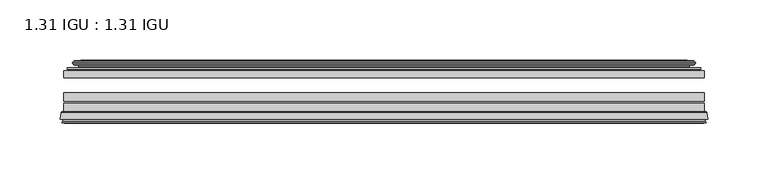
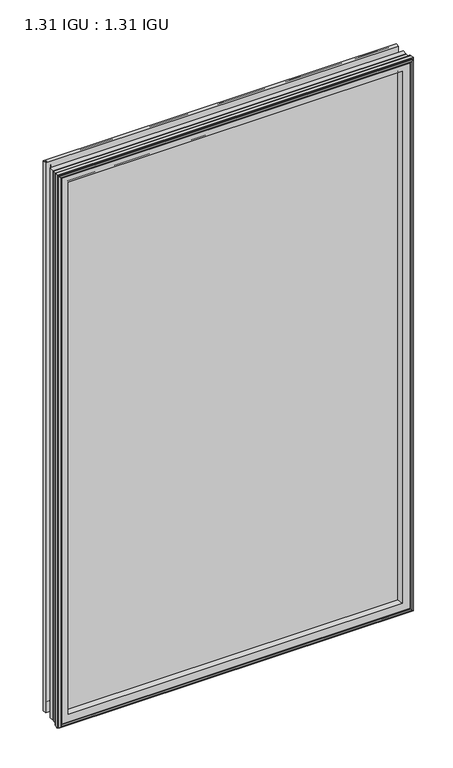
"""IFC4 building model written with IfcOpenShell, lengths in millimetres: plate geometry, 1.31 IGU : 1.31 IGU."""

from ifc_helpers import new_model, si_unit, frame, origin, place, context, project, spatial, polyline, ellipse_curve, outline, extrude, source, transform, mapped, element, save
from ifc_brep_helpers import plane_surface, cylinder_surface, revolved_surface, advanced_brep


def plate_1_31_igu_1_31_igu_99b5af94(model_context):
    return source(origin(), model_context, "Body", "SolidModel", [
        extrude(outline(polyline([(265.1081075, -44.8960875), (265.1081075, -50.4332875), (-265.1130426, -50.4332875), (-265.1130426, -44.8960875), (265.1081075, -44.8960875)])), frame((0.0, 0.0, -14.2875), z_axis=(0.0, 0.0, 1.0), x_axis=(1.0, 0.0, 0.0)), (0.0, 0.0, 1.0), 873.1260851),
        extrude(outline(polyline([(-265.1130426, -78.7796875), (-265.1130426, -71.7692875), (265.1081075, -71.7692875), (265.1081075, -78.7796875), (-265.1130426, -78.7796875)])), frame((0.0, 0.0, -14.2875), z_axis=(0.0, 0.0, 1.0), x_axis=(1.0, 0.0, 0.0)), (0.0, 0.0, 1.0), 873.1260851),
        extrude(outline(polyline([(-265.1130426, -70.2452875), (-265.1130426, -63.1332875), (265.1081075, -63.1332875), (265.1081075, -70.2452875), (-265.1130426, -70.2452875)])), frame((0.0, 0.0, -14.2875), z_axis=(0.0, 0.0, 1.0), x_axis=(1.0, 0.0, 0.0)), (0.0, 0.0, 1.0), 873.1260851),
        advanced_brep(
        [(-267.6599465, -85.1296875, 861.385489), (-266.9651627, -79.4711276, 860.6907053), (-266.9651627, -79.4711276, -16.1396201), (-267.6599465, -85.1296875, -16.8344039), (-265.2723465, -87.1207518, 858.997889), (-265.7295465, -85.1296875, 859.455089), (-265.7295465, -85.1296875, -14.9040039), (-265.2723465, -87.1207518, -14.4468039), (-266.2737083, -86.8524376, 859.9992509), (-266.2737083, -86.8524376, -15.4481658), (-266.5169465, -87.7602147, 860.242489), (-266.5169465, -87.7602147, -15.6914039), (-264.4849465, -88.3046875, 858.210489), (-264.4849465, -88.3046875, -13.6594039), (-262.4529465, -87.7602147, 856.178489), (-262.4529465, -87.7602147, -11.6274039), (-262.6961846, -86.8524376, 856.4217272), (-262.6961846, -86.8524376, -11.8706421), (-263.6975465, -87.1207518, 857.423089), (-263.6975465, -87.1207518, -12.8720039), (-263.2403465, -85.1296875, 856.965889), (-263.2403465, -85.1296875, -12.4148039), (-266.1836318, -78.7796875, 859.9091744), (-266.1836318, -78.7796875, -15.3580893), (266.9651627, -79.4711276, -16.1396201), (267.6599465, -85.1296875, -16.8344039), (265.7295465, -85.1296875, -14.9040039), (265.2723465, -87.1207518, -14.4468039), (266.2737083, -86.8524376, -15.4481658), (266.5169465, -87.7602147, -15.6914039), (264.4849465, -88.3046875, -13.6594039), (262.4529465, -87.7602147, -11.6274039), (262.6961846, -86.8524376, -11.8706421), (263.6975465, -87.1207518, -12.8720039), (263.2403465, -85.1296875, -12.4148039), (266.1836318, -78.7796875, -15.3580893), (266.9651627, -79.4711276, 860.6907053), (267.6599465, -85.1296875, 861.385489), (265.7295465, -85.1296875, 859.455089), (265.2723465, -87.1207518, 858.997889), (266.2737083, -86.8524376, 859.9992509), (266.5169465, -87.7602147, 860.242489), (264.4849465, -88.3046875, 858.210489), (262.4529465, -87.7602147, 856.178489), (262.6961846, -86.8524376, 856.4217272), (263.6975465, -87.1207518, 857.423089), (263.2403465, -85.1296875, 856.965889), (266.1836318, -78.7796875, 859.9091744), (-250.8377557, -85.1296875, 844.5632982), (250.8377557, -85.1296875, 844.5632982), (250.8377557, -85.1296875, -0.0122131), (-250.8377557, -85.1296875, -0.0122131), (-247.5214788, -78.7796875, 3.3040638), (247.5214788, -78.7796875, 3.3040638), (247.5214788, -78.7796875, 841.2470213), (-247.5214788, -78.7796875, 841.2470213)],
        [
            (0, 1),
            (1, 2),
            (2, 3),
            (3, 0),
            (4, 5),
            (5, 6),
            (6, 7),
            (7, 4),
            (8, 4),
            (7, 9),
            (9, 8),
            (10, 8),
            (9, 11),
            (11, 10),
            (12, 10),
            (11, 13),
            (13, 12),
            (14, 12),
            (13, 15),
            (15, 14),
            (16, 14),
            (15, 17),
            (17, 16),
            (18, 16),
            (17, 19),
            (19, 18),
            (20, 18),
            (19, 21),
            (21, 20),
            (1, 22, ellipse_curve(frame((-266.1836318, -79.5670875, 859.9091744), z_axis=(-0.7071067811865475, 0.0, -0.7071067811865475), x_axis=(-0.7071067811865474, 0.0, 0.7071067811865476)), 1.1135518, 0.7874)),
            (22, 23),
            (23, 2, ellipse_curve(frame((-266.1836318, -79.5670875, -15.3580893), z_axis=(-0.7071067811865475, 0.0, 0.7071067811865475), x_axis=(0.7071067811865474, 0.0, 0.7071067811865476)), 1.1135518, 0.7874)),
            (2, 24),
            (24, 25),
            (25, 3),
            (6, 26),
            (26, 27),
            (27, 7),
            (27, 28),
            (28, 9),
            (28, 29),
            (29, 11),
            (29, 30),
            (30, 13),
            (30, 31),
            (31, 15),
            (31, 32),
            (32, 17),
            (32, 33),
            (33, 19),
            (33, 34),
            (34, 21),
            (23, 35),
            (35, 24, ellipse_curve(frame((266.1836318, -79.5670875, -15.3580893), z_axis=(-0.7071067811865475, 0.0, -0.7071067811865475), x_axis=(-0.7071067811865476, 0.0, 0.7071067811865474)), 1.1135518, 0.7874)),
            (24, 36),
            (36, 37),
            (37, 25),
            (26, 38),
            (38, 39),
            (39, 27),
            (39, 40),
            (40, 28),
            (40, 41),
            (41, 29),
            (41, 42),
            (42, 30),
            (42, 43),
            (43, 31),
            (43, 44),
            (44, 32),
            (44, 45),
            (45, 33),
            (45, 46),
            (46, 34),
            (35, 47),
            (47, 36, ellipse_curve(frame((266.1836318, -79.5670875, 859.9091744), z_axis=(0.7071067811865475, 0.0, -0.7071067811865475), x_axis=(-0.7071067811865474, 0.0, -0.7071067811865476)), 1.1135518, 0.7874)),
            (36, 1),
            (0, 37),
            (5, 38),
            (4, 39),
            (8, 40),
            (10, 41),
            (12, 42),
            (14, 43),
            (16, 44),
            (18, 45),
            (20, 46),
            (48, 49),
            (49, 50),
            (50, 51),
            (51, 48),
            (22, 47),
            (52, 53),
            (53, 54),
            (54, 55),
            (55, 52),
            (55, 48, ellipse_curve(frame((-239.5884608, -86.963653, 833.3140033), z_axis=(0.7071067811865475, 0.0, 0.7071067811865475), x_axis=(0.7071067811865474, 0.0, -0.7071067811865476)), 16.118937, 11.3978097)),
            (51, 52, ellipse_curve(frame((-239.5884608, -86.963653, 11.2370818), z_axis=(0.7071067811865475, 0.0, -0.7071067811865475), x_axis=(-0.7071067811865474, 0.0, -0.7071067811865476)), 16.118937, 11.3978097)),
            (50, 53, ellipse_curve(frame((239.5884608, -86.963653, 11.2370818), z_axis=(0.7071067811865475, 0.0, 0.7071067811865475), x_axis=(0.7071067811865476, 0.0, -0.7071067811865474)), 16.118937, 11.3978097)),
            (49, 54, ellipse_curve(frame((239.5884608, -86.963653, 833.3140033), z_axis=(-0.7071067811865475, 0.0, 0.7071067811865475), x_axis=(0.7071067811865474, 0.0, 0.7071067811865476)), 16.118937, 11.3978097)),
        ],
        [
            plane_surface(frame((-266.9651627, -79.4711276, 860.6907053), z_axis=(-0.9925461516413008, 0.12186934340532067, 0.0), x_axis=(0.0, 0.0, -1.0))),
            plane_surface(frame((-265.7295465, -85.1296875, 859.455089), z_axis=(-0.9746347637895997, -0.22380142361654332, 0.0), x_axis=(0.0, 0.0, -1.0))),
            plane_surface(frame((-265.2723465, -87.1207518, 858.997889), z_axis=(0.25881904510266784, 0.9659258262890289, 0.0), x_axis=(0.0, 0.0, -1.0))),
            plane_surface(frame((-266.2737083, -86.8524376, 859.9992509), z_axis=(-0.9659258262890449, 0.2588190451026083, 0.0), x_axis=(0.0, 0.0, -1.0))),
            plane_surface(frame((-266.5169465, -87.7602147, 860.242489), z_axis=(-0.2588190451025689, -0.9659258262890554, 0.0), x_axis=(0.0, 0.0, -1.0))),
            plane_surface(frame((-264.4849465, -88.3046875, 858.210489), z_axis=(0.25881904510241466, -0.9659258262890968, 0.0), x_axis=(0.0, 0.0, -1.0))),
            plane_surface(frame((-262.4529465, -87.7602147, 856.178489), z_axis=(0.9659258262890272, 0.25881904510267406, 0.0), x_axis=(0.0, 0.0, -1.0))),
            plane_surface(frame((-262.6961846, -86.8524376, 856.4217272), z_axis=(-0.25881904510234177, 0.9659258262891163, 0.0), x_axis=(0.0, 0.0, -1.0))),
            plane_surface(frame((-263.6975465, -87.1207518, 857.423089), z_axis=(0.9746347637895936, -0.2238014236165695, 0.0), x_axis=(0.0, 0.0, -1.0))),
            cylinder_surface(frame((-266.1836318, -79.5670875, 876.3010851), z_axis=(0.0, 0.0, 1.0), x_axis=(-1.0, 0.0, 0.0)), 0.7874),
            plane_surface(frame((-266.9651627, -79.4711276, -16.1396201), z_axis=(0.0, 0.12186934340531747, -0.9925461516413012), x_axis=(1.0, 0.0, 0.0))),
            plane_surface(frame((-265.7295465, -85.1296875, -14.9040039), z_axis=(0.0, -0.22380142361654648, -0.9746347637895989), x_axis=(1.0, 0.0, 0.0))),
            plane_surface(frame((-265.2723465, -87.1207518, -14.4468039), z_axis=(0.0, 0.9659258262890298, 0.25881904510266474), x_axis=(1.0, 0.0, 0.0))),
            plane_surface(frame((-266.2737083, -86.8524376, -15.4481658), z_axis=(0.0, 0.25881904510260517, -0.9659258262890458), x_axis=(1.0, 0.0, 0.0))),
            plane_surface(frame((-266.5169465, -87.7602147, -15.6914039), z_axis=(0.0, -0.9659258262890563, -0.2588190451025658), x_axis=(1.0, 0.0, 0.0))),
            plane_surface(frame((-264.4849465, -88.3046875, -13.6594039), z_axis=(0.0, -0.965925826289096, 0.25881904510241777), x_axis=(1.0, 0.0, 0.0))),
            plane_surface(frame((-262.4529465, -87.7602147, -11.6274039), z_axis=(0.0, 0.2588190451026772, 0.9659258262890265), x_axis=(1.0, 0.0, 0.0))),
            plane_surface(frame((-262.6961846, -86.8524376, -11.8706421), z_axis=(0.0, 0.9659258262891154, -0.2588190451023449), x_axis=(1.0, 0.0, 0.0))),
            plane_surface(frame((-263.6975465, -87.1207518, -12.8720039), z_axis=(0.0, -0.22380142361656633, 0.9746347637895943), x_axis=(1.0, 0.0, 0.0))),
            cylinder_surface(frame((-282.5755426, -79.5670875, -15.3580893), z_axis=(-1.0, 0.0, 0.0), x_axis=(0.0, 0.0, -1.0)), 0.7874),
            plane_surface(frame((266.9651627, -79.4711276, -16.1396201), z_axis=(0.9925461516413017, 0.12186934340531426, 0.0), x_axis=(0.0, 0.0, 1.0))),
            plane_surface(frame((265.7295465, -85.1296875, -14.9040039), z_axis=(0.9746347637895981, -0.22380142361654964, 0.0), x_axis=(0.0, 0.0, 1.0))),
            plane_surface(frame((265.2723465, -87.1207518, -14.4468039), z_axis=(-0.2588190451026616, 0.9659258262890307, 0.0), x_axis=(0.0, 0.0, 1.0))),
            plane_surface(frame((266.2737083, -86.8524376, -15.4481658), z_axis=(0.9659258262890467, 0.25881904510260206, 0.0), x_axis=(0.0, 0.0, 1.0))),
            plane_surface(frame((266.5169465, -87.7602147, -15.6914039), z_axis=(0.2588190451025627, -0.9659258262890572, 0.0), x_axis=(0.0, 0.0, 1.0))),
            plane_surface(frame((264.4849465, -88.3046875, -13.6594039), z_axis=(-0.2588190451024209, -0.9659258262890951, 0.0), x_axis=(0.0, 0.0, 1.0))),
            plane_surface(frame((262.4529465, -87.7602147, -11.6274039), z_axis=(-0.9659258262890256, 0.25881904510268033, 0.0), x_axis=(0.0, 0.0, 1.0))),
            plane_surface(frame((262.6961846, -86.8524376, -11.8706421), z_axis=(0.25881904510234804, 0.9659258262891146, 0.0), x_axis=(0.0, 0.0, 1.0))),
            plane_surface(frame((263.6975465, -87.1207518, -12.8720039), z_axis=(-0.9746347637895951, -0.22380142361656316, 0.0), x_axis=(0.0, 0.0, 1.0))),
            cylinder_surface(frame((266.1836318, -79.5670875, -31.75), z_axis=(0.0, 0.0, -1.0), x_axis=(1.0, 0.0, 0.0)), 0.7874),
            plane_surface(frame((266.9651627, -79.4711276, 860.6907053), z_axis=(0.0, 0.12186934340531747, 0.9925461516413012), x_axis=(-1.0, 0.0, 0.0))),
            plane_surface(frame((267.6599465, -85.1296875, 861.385489), z_axis=(0.0, -1.0, 0.0), x_axis=(-1.0, 0.0, 0.0))),
            plane_surface(frame((265.7295465, -85.1296875, 859.455089), z_axis=(0.0, -0.22380142361654648, 0.9746347637895989), x_axis=(-1.0, 0.0, 0.0))),
            plane_surface(frame((265.2723465, -87.1207518, 858.997889), z_axis=(0.0, 0.9659258262890298, -0.25881904510266474), x_axis=(-1.0, 0.0, 0.0))),
            plane_surface(frame((266.2737083, -86.8524376, 859.9992509), z_axis=(0.0, 0.25881904510260517, 0.9659258262890458), x_axis=(-1.0, 0.0, 0.0))),
            plane_surface(frame((266.5169465, -87.7602147, 860.242489), z_axis=(0.0, -0.9659258262890563, 0.2588190451025658), x_axis=(-1.0, 0.0, 0.0))),
            plane_surface(frame((264.4849465, -88.3046875, 858.210489), z_axis=(0.0, -0.965925826289096, -0.25881904510241777), x_axis=(-1.0, 0.0, 0.0))),
            plane_surface(frame((262.4529465, -87.7602147, 856.178489), z_axis=(0.0, 0.2588190451026772, -0.9659258262890265), x_axis=(-1.0, 0.0, 0.0))),
            plane_surface(frame((262.6961846, -86.8524376, 856.4217272), z_axis=(0.0, 0.9659258262891155, 0.25881904510234494), x_axis=(-1.0, 0.0, 0.0))),
            plane_surface(frame((263.6975465, -87.1207518, 857.423089), z_axis=(0.0, -0.22380142361656633, -0.9746347637895943), x_axis=(-1.0, 0.0, 0.0))),
            plane_surface(frame((263.2403465, -85.1296875, 856.965889), z_axis=(0.0, -1.0, 0.0), x_axis=(-1.0, 0.0, 0.0))),
            plane_surface(frame((247.5214788, -78.7796875, 841.2470213), z_axis=(0.0, 1.0, 0.0), x_axis=(-1.0, 0.0, 0.0))),
            cylinder_surface(frame((282.5755426, -79.5670875, 859.9091744), z_axis=(1.0, 0.0, 0.0), x_axis=(0.0, 0.0, 1.0)), 0.7874),
            revolved_surface(polyline([(-250.98627050000002, -86.963653, -0.1607278582187064), (-250.98627050000002, -86.963653, 844.7118129582187)]), (-239.5884608, -86.963653, 876.3010851), (0.0, 0.0, -1.0)),
            revolved_surface(polyline([(250.9862704582187, -86.963653, -0.16072789999999948), (-250.98627045821874, -86.963653, -0.16072789999999948)]), (-282.5755426, -86.963653, 11.2370818), (1.0, 0.0, 0.0)),
            revolved_surface(polyline([(250.98627050000002, -86.963653, 844.7118129582187), (250.98627050000002, -86.963653, -0.16072785821874191)]), (239.5884608, -86.963653, -31.75), (0.0, 0.0, 1.0)),
            revolved_surface(polyline([(-250.9862704582187, -86.963653, 844.711813), (250.98627045821874, -86.963653, 844.711813)]), (282.5755426, -86.963653, 833.3140033), (-1.0, 0.0, 0.0)),
        ],
        [
            (0, [[1, 2, 3, 4]]),
            (1, [[5, 6, 7, 8]]),
            (2, [[9, -8, 10, 11]]),
            (3, [[12, -11, 13, 14]]),
            (4, [[15, -14, 16, 17]]),
            (5, [[18, -17, 19, 20]]),
            (6, [[21, -20, 22, 23]]),
            (7, [[24, -23, 25, 26]]),
            (8, [[27, -26, 28, 29]]),
            (9, [[30, 31, 32, -2]]),
            (10, [[-3, 33, 34, 35]]),
            (11, [[-7, 36, 37, 38]]),
            (12, [[-10, -38, 39, 40]]),
            (13, [[-13, -40, 41, 42]]),
            (14, [[-16, -42, 43, 44]]),
            (15, [[-19, -44, 45, 46]]),
            (16, [[-22, -46, 47, 48]]),
            (17, [[-25, -48, 49, 50]]),
            (18, [[-28, -50, 51, 52]]),
            (19, [[-32, 53, 54, -33]]),
            (20, [[-34, 55, 56, 57]]),
            (21, [[-37, 58, 59, 60]]),
            (22, [[-39, -60, 61, 62]]),
            (23, [[-41, -62, 63, 64]]),
            (24, [[-43, -64, 65, 66]]),
            (25, [[-45, -66, 67, 68]]),
            (26, [[-47, -68, 69, 70]]),
            (27, [[-49, -70, 71, 72]]),
            (28, [[-51, -72, 73, 74]]),
            (29, [[-54, 75, 76, -55]]),
            (30, [[-56, 77, -1, 78]]),
            (31, [[-35, -57, -78, -4], [79, -58, -36, -6]]),
            (32, [[-59, -79, -5, 80]]),
            (33, [[-61, -80, -9, 81]]),
            (34, [[-63, -81, -12, 82]]),
            (35, [[-65, -82, -15, 83]]),
            (36, [[-67, -83, -18, 84]]),
            (37, [[-69, -84, -21, 85]]),
            (38, [[-71, -85, -24, 86]]),
            (39, [[-73, -86, -27, 87]]),
            (40, [[-52, -74, -87, -29], [88, 89, 90, 91]]),
            (41, [[92, -75, -53, -31], [93, 94, 95, 96]]),
            (42, [[-76, -92, -30, -77]]),
            (43, [[97, -91, 98, -96]]),
            (44, [[-98, -90, 99, -93]]),
            (45, [[-99, -89, 100, -94]]),
            (46, [[-100, -88, -97, -95]]),
        ],
    ),
        advanced_brep(
        [(-255.767718, -37.7373382, 849.4932606), (-250.8260851, -36.3108875, 844.5516277), (-250.8260851, -36.3108875, -0.0005426), (-255.767718, -37.7373382, -4.9421755), (-255.6026127, -36.9605789, 849.3281553), (-255.6026127, -36.9605789, -4.7770702), (-256.1980984, -36.4771203, 849.923641), (-256.1980984, -36.4771203, -5.3725559), (-257.4627342, -37.766076, 851.1882768), (-257.4627342, -37.766076, -6.6371917), (-257.4519175, -38.8797852, 851.17746), (-257.4519175, -38.8797852, -6.6263749), (-256.1704323, -40.1361433, 849.8959748), (-256.1704323, -40.1361433, -5.3448897), (-255.5654254, -39.649943, 849.290968), (-255.5654254, -39.649943, -4.7398829), (-256.1194397, -39.0959287, 849.8449823), (-256.1194397, -39.0959287, -5.2938972), (-253.8336313, -38.7029881, 847.5591739), (-253.8336313, -38.7029881, -3.0080887), (-252.3745582, -40.2107282, 846.1001008), (-252.3745582, -40.2107282, -1.5490157), (-252.6711401, -41.651269, 846.3966827), (-252.6711401, -41.651269, -1.8455976), (-253.4423646, -42.2798875, 847.1679072), (-253.4423646, -42.2798875, -2.6168221), (-261.7463409, -43.4871542, 855.4718835), (-261.4711395, -42.2798875, 855.1966821), (-261.4711395, -42.2798875, -10.6455969), (-261.7463409, -43.4871542, -10.9207984), (-258.2887723, -44.8960875, 852.0143149), (-258.2887723, -44.8960875, -7.4632297), (-247.1911485, -44.023302, 840.9166911), (-247.5464864, -44.8960875, 841.272029), (-247.5464864, -44.8960875, 3.2790561), (-247.1911485, -44.023302, 3.6343941), (-247.8623465, -43.3681812, 841.5878891), (-247.8623465, -43.3681812, 2.963196), (-249.5031371, -40.6686056, 843.2286797), (-249.5031371, -40.6686056, 1.3224054), (250.8260851, -36.3108875, -0.0005426), (255.767718, -37.7373382, -4.9421755), (255.6026127, -36.9605789, -4.7770702), (256.1980984, -36.4771203, -5.3725559), (257.4627342, -37.766076, -6.6371917), (257.4519175, -38.8797852, -6.6263749), (256.1704323, -40.1361433, -5.3448897), (255.5654254, -39.649943, -4.7398829), (256.1194397, -39.0959287, -5.2938972), (253.8336313, -38.7029881, -3.0080887), (252.3745582, -40.2107282, -1.5490157), (252.6711401, -41.651269, -1.8455976), (253.4423646, -42.2798875, -2.6168221), (261.4711395, -42.2798875, -10.6455969), (261.7463409, -43.4871542, -10.9207984), (258.2887723, -44.8960875, -7.4632297), (247.5464864, -44.8960875, 3.2790561), (247.1911485, -44.023302, 3.6343941), (247.8623465, -43.3681812, 2.963196), (249.5031371, -40.6686056, 1.3224054), (250.8260851, -36.3108875, 844.5516277), (255.767718, -37.7373382, 849.4932606), (255.6026127, -36.9605789, 849.3281553), (256.1980984, -36.4771203, 849.923641), (257.4627342, -37.766076, 851.1882768), (257.4519175, -38.8797852, 851.17746), (256.1704323, -40.1361433, 849.8959748), (255.5654254, -39.649943, 849.290968), (256.1194397, -39.0959287, 849.8449823), (253.8336313, -38.7029881, 847.5591739), (252.3745582, -40.2107282, 846.1001008), (252.6711401, -41.651269, 846.3966827), (253.4423646, -42.2798875, 847.1679072), (261.4711395, -42.2798875, 855.1966821), (261.7463409, -43.4871542, 855.4718835), (258.2887723, -44.8960875, 852.0143149), (247.5464864, -44.8960875, 841.272029), (247.1911485, -44.023302, 840.9166911), (247.8623465, -43.3681812, 841.5878891), (249.5031371, -40.6686056, 843.2286797)],
        [
            (0, 1),
            (1, 2),
            (2, 3),
            (3, 0),
            (4, 0),
            (3, 5),
            (5, 4),
            (6, 4, ellipse_curve(frame((-255.9231297, -36.746901, 849.6486723), z_axis=(-0.7071067811865475, 0.0, -0.7071067811865475), x_axis=(-0.7071067811865474, 0.0, 0.7071067811865476)), 0.5447741, 0.3852135)),
            (5, 7, ellipse_curve(frame((-255.9231297, -36.746901, -5.0975871), z_axis=(-0.7071067811865475, 0.0, 0.7071067811865475), x_axis=(0.7071067811865474, 0.0, 0.7071067811865476)), 0.5447741, 0.3852135)),
            (7, 6),
            (8, 6),
            (7, 9),
            (9, 8),
            (10, 8, ellipse_curve(frame((-256.9006812, -38.3175243, 850.6262238), z_axis=(-0.7071067811865475, 0.0, -0.7071067811865475), x_axis=(-0.7071067811865474, 0.0, 0.7071067811865476)), 1.1135518, 0.7874)),
            (9, 11, ellipse_curve(frame((-256.9006812, -38.3175243, -6.0751387), z_axis=(-0.7071067811865475, 0.0, 0.7071067811865475), x_axis=(0.7071067811865474, 0.0, 0.7071067811865476)), 1.1135518, 0.7874)),
            (11, 10),
            (12, 10),
            (11, 13),
            (13, 12),
            (14, 12, ellipse_curve(frame((-255.8968348, -39.8570738, 849.6223773), z_axis=(-0.7071067811865475, 0.0, -0.7071067811865475), x_axis=(-0.7071067811865474, 0.0, 0.7071067811865476)), 0.552694, 0.3908137)),
            (13, 15, ellipse_curve(frame((-255.8968348, -39.8570738, -5.0712922), z_axis=(-0.7071067811865475, 0.0, 0.7071067811865475), x_axis=(0.7071067811865474, 0.0, 0.7071067811865476)), 0.552694, 0.3908137)),
            (15, 14),
            (16, 14),
            (15, 17),
            (17, 16),
            (18, 16),
            (17, 19),
            (19, 18),
            (20, 18, ellipse_curve(frame((-253.6184687, -39.954629, 847.3440112), z_axis=(0.7071067811865475, 0.0, 0.7071067811865475), x_axis=(0.7071067811865474, 0.0, -0.7071067811865476)), 1.7960512, 1.27)),
            (19, 21, ellipse_curve(frame((-253.6184687, -39.954629, -2.7929261), z_axis=(0.7071067811865475, 0.0, -0.7071067811865475), x_axis=(-0.7071067811865474, 0.0, -0.7071067811865476)), 1.7960512, 1.27)),
            (21, 20),
            (22, 20),
            (21, 23),
            (23, 22),
            (24, 22, ellipse_curve(frame((-253.4423646, -41.4924875, 847.1679072), z_axis=(0.7071067811865475, 0.0, 0.7071067811865475), x_axis=(0.7071067811865474, 0.0, -0.7071067811865476)), 1.1135518, 0.7874)),
            (23, 25, ellipse_curve(frame((-253.4423646, -41.4924875, -2.6168221), z_axis=(0.7071067811865475, 0.0, -0.7071067811865475), x_axis=(-0.7071067811865474, 0.0, -0.7071067811865476)), 1.1135518, 0.7874)),
            (25, 24),
            (26, 27, ellipse_curve(frame((-261.4711395, -42.9148875, 855.1966821), z_axis=(-0.7071067811865475, 0.0, -0.7071067811865475), x_axis=(-0.7071067811865474, 0.0, 0.7071067811865476)), 0.8980256, 0.635)),
            (27, 28),
            (28, 29, ellipse_curve(frame((-261.4711395, -42.9148875, -10.6455969), z_axis=(-0.7071067811865475, 0.0, 0.7071067811865475), x_axis=(0.7071067811865474, 0.0, 0.7071067811865476)), 0.8980256, 0.635)),
            (29, 26),
            (30, 26),
            (29, 31),
            (31, 30),
            (32, 33, ellipse_curve(frame((-247.5464864, -44.3873602, 841.272029), z_axis=(-0.7071067811865475, 0.0, -0.7071067811865475), x_axis=(-0.7071067811865474, 0.0, 0.7071067811865476)), 0.719449, 0.5087273)),
            (33, 34),
            (34, 35, ellipse_curve(frame((-247.5464864, -44.3873602, 3.2790561), z_axis=(-0.7071067811865475, 0.0, 0.7071067811865475), x_axis=(0.7071067811865474, 0.0, 0.7071067811865476)), 0.719449, 0.5087273)),
            (35, 32),
            (36, 32),
            (35, 37),
            (37, 36),
            (38, 36, ellipse_curve(frame((-243.4269723, -38.823959, 837.1525149), z_axis=(0.7071067811865475, 0.0, 0.7071067811865475), x_axis=(0.7071067811865474, 0.0, -0.7071067811865476)), 8.9802561, 6.35)),
            (37, 39, ellipse_curve(frame((-243.4269723, -38.823959, 7.3985702), z_axis=(0.7071067811865475, 0.0, -0.7071067811865475), x_axis=(-0.7071067811865474, 0.0, -0.7071067811865476)), 8.9802561, 6.35)),
            (39, 38),
            (1, 38),
            (39, 2),
            (2, 40),
            (40, 41),
            (41, 3),
            (41, 42),
            (42, 5),
            (42, 43, ellipse_curve(frame((255.9231297, -36.746901, -5.0975871), z_axis=(-0.7071067811865475, 0.0, -0.7071067811865475), x_axis=(-0.7071067811865476, 0.0, 0.7071067811865474)), 0.5447741, 0.3852135)),
            (43, 7),
            (43, 44),
            (44, 9),
            (44, 45, ellipse_curve(frame((256.9006812, -38.3175243, -6.0751387), z_axis=(-0.7071067811865475, 0.0, -0.7071067811865475), x_axis=(-0.7071067811865476, 0.0, 0.7071067811865474)), 1.1135518, 0.7874)),
            (45, 11),
            (45, 46),
            (46, 13),
            (46, 47, ellipse_curve(frame((255.8968348, -39.8570738, -5.0712922), z_axis=(-0.7071067811865475, 0.0, -0.7071067811865475), x_axis=(-0.7071067811865476, 0.0, 0.7071067811865474)), 0.552694, 0.3908137)),
            (47, 15),
            (47, 48),
            (48, 17),
            (48, 49),
            (49, 19),
            (49, 50, ellipse_curve(frame((253.6184687, -39.954629, -2.7929261), z_axis=(0.7071067811865475, 0.0, 0.7071067811865475), x_axis=(0.7071067811865476, 0.0, -0.7071067811865474)), 1.7960512, 1.27)),
            (50, 21),
            (50, 51),
            (51, 23),
            (51, 52, ellipse_curve(frame((253.4423646, -41.4924875, -2.6168221), z_axis=(0.7071067811865475, 0.0, 0.7071067811865475), x_axis=(0.7071067811865476, 0.0, -0.7071067811865474)), 1.1135518, 0.7874)),
            (52, 25),
            (28, 53),
            (53, 54, ellipse_curve(frame((261.4711395, -42.9148875, -10.6455969), z_axis=(-0.7071067811865475, 0.0, -0.7071067811865475), x_axis=(-0.7071067811865476, 0.0, 0.7071067811865474)), 0.8980256, 0.635)),
            (54, 29),
            (54, 55),
            (55, 31),
            (34, 56),
            (56, 57, ellipse_curve(frame((247.5464864, -44.3873602, 3.2790561), z_axis=(-0.7071067811865475, 0.0, -0.7071067811865475), x_axis=(-0.7071067811865476, 0.0, 0.7071067811865474)), 0.719449, 0.5087273)),
            (57, 35),
            (57, 58),
            (58, 37),
            (58, 59, ellipse_curve(frame((243.4269723, -38.823959, 7.3985702), z_axis=(0.7071067811865475, 0.0, 0.7071067811865475), x_axis=(0.7071067811865476, 0.0, -0.7071067811865474)), 8.9802561, 6.35)),
            (59, 39),
            (59, 40),
            (40, 60),
            (60, 61),
            (61, 41),
            (61, 62),
            (62, 42),
            (62, 63, ellipse_curve(frame((255.9231297, -36.746901, 849.6486723), z_axis=(0.7071067811865475, 0.0, -0.7071067811865475), x_axis=(-0.7071067811865474, 0.0, -0.7071067811865476)), 0.5447741, 0.3852135)),
            (63, 43),
            (63, 64),
            (64, 44),
            (64, 65, ellipse_curve(frame((256.9006812, -38.3175243, 850.6262238), z_axis=(0.7071067811865475, 0.0, -0.7071067811865475), x_axis=(-0.7071067811865474, 0.0, -0.7071067811865476)), 1.1135518, 0.7874)),
            (65, 45),
            (65, 66),
            (66, 46),
            (66, 67, ellipse_curve(frame((255.8968348, -39.8570738, 849.6223773), z_axis=(0.7071067811865475, 0.0, -0.7071067811865475), x_axis=(-0.7071067811865474, 0.0, -0.7071067811865476)), 0.552694, 0.3908137)),
            (67, 47),
            (67, 68),
            (68, 48),
            (68, 69),
            (69, 49),
            (69, 70, ellipse_curve(frame((253.6184687, -39.954629, 847.3440112), z_axis=(-0.7071067811865475, 0.0, 0.7071067811865475), x_axis=(0.7071067811865474, 0.0, 0.7071067811865476)), 1.7960512, 1.27)),
            (70, 50),
            (70, 71),
            (71, 51),
            (71, 72, ellipse_curve(frame((253.4423646, -41.4924875, 847.1679072), z_axis=(-0.7071067811865475, 0.0, 0.7071067811865475), x_axis=(0.7071067811865474, 0.0, 0.7071067811865476)), 1.1135518, 0.7874)),
            (72, 52),
            (53, 73),
            (73, 74, ellipse_curve(frame((261.4711395, -42.9148875, 855.1966821), z_axis=(0.7071067811865475, 0.0, -0.7071067811865475), x_axis=(-0.7071067811865474, 0.0, -0.7071067811865476)), 0.8980256, 0.635)),
            (74, 54),
            (74, 75),
            (75, 55),
            (56, 76),
            (76, 77, ellipse_curve(frame((247.5464864, -44.3873602, 841.272029), z_axis=(0.7071067811865475, 0.0, -0.7071067811865475), x_axis=(-0.7071067811865474, 0.0, -0.7071067811865476)), 0.719449, 0.5087273)),
            (77, 57),
            (77, 78),
            (78, 58),
            (78, 79, ellipse_curve(frame((243.4269723, -38.823959, 837.1525149), z_axis=(-0.7071067811865475, 0.0, 0.7071067811865475), x_axis=(0.7071067811865474, 0.0, 0.7071067811865476)), 8.9802561, 6.35)),
            (79, 59),
            (79, 60),
            (60, 1),
            (0, 61),
            (4, 62),
            (6, 63),
            (8, 64),
            (10, 65),
            (12, 66),
            (14, 67),
            (16, 68),
            (18, 69),
            (20, 70),
            (22, 71),
            (24, 72),
            (27, 73),
            (26, 74),
            (30, 75),
            (33, 76),
            (32, 77),
            (36, 78),
            (38, 79),
        ],
        [
            plane_surface(frame((-250.8260851, -36.3108875, 844.5516277), z_axis=(-0.27733649284928463, 0.9607728502273879, 0.0), x_axis=(0.0, 0.0, -1.0))),
            plane_surface(frame((-255.767718, -37.7373382, 849.4932606), z_axis=(0.9781476007338358, -0.2079116908176177, 0.0), x_axis=(0.0, 0.0, -1.0))),
            cylinder_surface(frame((-255.9231297, -36.746901, 876.3010851), z_axis=(0.0, 0.0, 1.0), x_axis=(-1.0, 0.0, 0.0)), 0.3852135),
            plane_surface(frame((-256.1980984, -36.4771203, 849.923641), z_axis=(-0.7138087599382162, 0.7003406701280928, 0.0), x_axis=(0.0, 0.0, -1.0))),
            cylinder_surface(frame((-256.9006812, -38.3175243, 876.3010851), z_axis=(0.0, 0.0, 1.0), x_axis=(-1.0, 0.0, 0.0)), 0.7874),
            plane_surface(frame((-257.4519175, -38.8797852, 851.17746), z_axis=(-0.7000714109283732, -0.7140728391423082, 0.0), x_axis=(0.0, 0.0, -1.0))),
            cylinder_surface(frame((-255.8968348, -39.8570738, 876.3010851), z_axis=(0.0, 0.0, 1.0), x_axis=(-1.0, 0.0, 0.0)), 0.3908137),
            plane_surface(frame((-255.5654254, -39.649943, 849.290968), z_axis=(0.7071067811861126, 0.7071067811869826, 0.0), x_axis=(0.0, 0.0, -1.0))),
            plane_surface(frame((-256.1194397, -39.0959287, 849.8449823), z_axis=(0.16941940671011482, -0.9855440449974789, 0.0), x_axis=(0.0, 0.0, -1.0))),
            revolved_surface(polyline([(-254.8884687, -39.954629, -4.0629260828783345), (-254.8884687, -39.954629, 848.6140111828782)]), (-253.6184687, -39.954629, 876.3010851), (0.0, 0.0, -1.0)),
            plane_surface(frame((-252.3745582, -40.2107282, 846.1001008), z_axis=(-0.9794570432566897, 0.201652920670302, 0.0), x_axis=(0.0, 0.0, -1.0))),
            revolved_surface(polyline([(-254.22976459999998, -41.4924875, -3.4042221289824965), (-254.22976459999998, -41.4924875, 847.9553072289824)]), (-253.4423646, -41.4924875, 876.3010851), (0.0, 0.0, -1.0)),
            cylinder_surface(frame((-261.4711395, -42.9148875, 876.3010851), z_axis=(0.0, 0.0, 1.0), x_axis=(-1.0, 0.0, 0.0)), 0.635),
            plane_surface(frame((-261.7463409, -43.4871542, 855.4718835), z_axis=(-0.37736447542757934, -0.9260648209954139, 0.0), x_axis=(0.0, 0.0, -1.0))),
            cylinder_surface(frame((-247.5464864, -44.3873602, 876.3010851), z_axis=(0.0, 0.0, 1.0), x_axis=(-1.0, 0.0, 0.0)), 0.5087273),
            plane_surface(frame((-247.1911485, -44.023302, 840.9166911), z_axis=(0.698484125849927, 0.7156255486884628, 0.0), x_axis=(0.0, 0.0, -1.0))),
            revolved_surface(polyline([(-249.77697229999998, -38.823959, 1.0485702148981773), (-249.77697229999998, -38.823959, 843.5025148851018)]), (-243.4269723, -38.823959, 876.3010851), (0.0, 0.0, -1.0)),
            plane_surface(frame((-249.5031371, -40.6686056, 843.2286797), z_axis=(0.9568763473517009, 0.2904955350411895, 0.0), x_axis=(0.0, 0.0, -1.0))),
            plane_surface(frame((-250.8260851, -36.3108875, -0.0005426), z_axis=(0.0, 0.960772850227387, -0.27733649284928774), x_axis=(1.0, 0.0, 0.0))),
            plane_surface(frame((-255.767718, -37.7373382, -4.9421755), z_axis=(0.0, -0.20791169081761454, 0.9781476007338364), x_axis=(1.0, 0.0, 0.0))),
            cylinder_surface(frame((-282.5755426, -36.746901, -5.0975871), z_axis=(-1.0, 0.0, 0.0), x_axis=(0.0, 0.0, -1.0)), 0.3852135),
            plane_surface(frame((-256.1980984, -36.4771203, -5.3725559), z_axis=(0.0, 0.7003406701280904, -0.7138087599382185), x_axis=(1.0, 0.0, 0.0))),
            cylinder_surface(frame((-282.5755426, -38.3175243, -6.0751387), z_axis=(-1.0, 0.0, 0.0), x_axis=(0.0, 0.0, -1.0)), 0.7874),
            plane_surface(frame((-257.4519175, -38.8797852, -6.6263749), z_axis=(0.0, -0.7140728391423105, -0.7000714109283709), x_axis=(1.0, 0.0, 0.0))),
            cylinder_surface(frame((-282.5755426, -39.8570738, -5.0712922), z_axis=(-1.0, 0.0, 0.0), x_axis=(0.0, 0.0, -1.0)), 0.3908137),
            plane_surface(frame((-255.5654254, -39.649943, -4.7398829), z_axis=(0.0, 0.7071067811869849, 0.7071067811861103), x_axis=(1.0, 0.0, 0.0))),
            plane_surface(frame((-256.1194397, -39.0959287, -5.2938972), z_axis=(0.0, -0.9855440449974784, 0.16941940671011801), x_axis=(1.0, 0.0, 0.0))),
            revolved_surface(polyline([(254.88846868287834, -39.954629, -4.0629261), (-254.88846868287823, -39.954629, -4.0629261)]), (-282.5755426, -39.954629, -2.7929261), (1.0, 0.0, 0.0)),
            plane_surface(frame((-252.3745582, -40.2107282, -1.5490157), z_axis=(0.0, 0.20165292067029883, -0.9794570432566904), x_axis=(1.0, 0.0, 0.0))),
            revolved_surface(polyline([(254.22976462898242, -41.4924875, -3.4042220999999997), (-254.22976462898248, -41.4924875, -3.4042220999999997)]), (-282.5755426, -41.4924875, -2.6168221), (1.0, 0.0, 0.0)),
            cylinder_surface(frame((-282.5755426, -42.9148875, -10.6455969), z_axis=(-1.0, 0.0, 0.0), x_axis=(0.0, 0.0, -1.0)), 0.635),
            plane_surface(frame((-261.7463409, -43.4871542, -10.9207984), z_axis=(0.0, -0.9260648209954151, -0.37736447542757634), x_axis=(1.0, 0.0, 0.0))),
            cylinder_surface(frame((-282.5755426, -44.3873602, 3.2790561), z_axis=(-1.0, 0.0, 0.0), x_axis=(0.0, 0.0, -1.0)), 0.5087273),
            plane_surface(frame((-247.1911485, -44.023302, 3.6343941), z_axis=(0.0, 0.7156255486884651, 0.6984841258499247), x_axis=(1.0, 0.0, 0.0))),
            revolved_surface(polyline([(249.77697228510186, -38.823959, 1.0485702000000003), (-249.77697228510186, -38.823959, 1.0485702000000003)]), (-282.5755426, -38.823959, 7.3985702), (1.0, 0.0, 0.0)),
            plane_surface(frame((-249.5031371, -40.6686056, 1.3224054), z_axis=(0.0, 0.29049553504119263, 0.9568763473517), x_axis=(1.0, 0.0, 0.0))),
            plane_surface(frame((250.8260851, -36.3108875, -0.0005426), z_axis=(0.27733649284929085, 0.9607728502273861, 0.0), x_axis=(0.0, 0.0, 1.0))),
            plane_surface(frame((255.767718, -37.7373382, -4.9421755), z_axis=(-0.9781476007338371, -0.20791169081761138, 0.0), x_axis=(0.0, 0.0, 1.0))),
            cylinder_surface(frame((255.9231297, -36.746901, -31.75), z_axis=(0.0, 0.0, -1.0), x_axis=(1.0, 0.0, 0.0)), 0.3852135),
            plane_surface(frame((256.1980984, -36.4771203, -5.3725559), z_axis=(0.7138087599382208, 0.7003406701280882, 0.0), x_axis=(0.0, 0.0, 1.0))),
            cylinder_surface(frame((256.9006812, -38.3175243, -31.75), z_axis=(0.0, 0.0, -1.0), x_axis=(1.0, 0.0, 0.0)), 0.7874),
            plane_surface(frame((257.4519175, -38.8797852, -6.6263749), z_axis=(0.7000714109283687, -0.7140728391423128, 0.0), x_axis=(0.0, 0.0, 1.0))),
            cylinder_surface(frame((255.8968348, -39.8570738, -31.75), z_axis=(0.0, 0.0, -1.0), x_axis=(1.0, 0.0, 0.0)), 0.3908137),
            plane_surface(frame((255.5654254, -39.649943, -4.7398829), z_axis=(-0.7071067811861079, 0.7071067811869872, 0.0), x_axis=(0.0, 0.0, 1.0))),
            plane_surface(frame((256.1194397, -39.0959287, -5.2938972), z_axis=(-0.1694194067101212, -0.9855440449974778, 0.0), x_axis=(0.0, 0.0, 1.0))),
            revolved_surface(polyline([(254.8884687, -39.954629, 848.6140111828782), (254.8884687, -39.954629, -4.062926082878235)]), (253.6184687, -39.954629, -31.75), (0.0, 0.0, 1.0)),
            plane_surface(frame((252.3745582, -40.2107282, -1.5490157), z_axis=(0.979457043256691, 0.20165292067029567, 0.0), x_axis=(0.0, 0.0, 1.0))),
            revolved_surface(polyline([(254.22976459999998, -41.4924875, 847.9553072289824), (254.22976459999998, -41.4924875, -3.404222128982486)]), (253.4423646, -41.4924875, -31.75), (0.0, 0.0, 1.0)),
            cylinder_surface(frame((261.4711395, -42.9148875, -31.75), z_axis=(0.0, 0.0, -1.0), x_axis=(1.0, 0.0, 0.0)), 0.635),
            plane_surface(frame((261.7463409, -43.4871542, -10.9207984), z_axis=(0.37736447542757334, -0.9260648209954163, 0.0), x_axis=(0.0, 0.0, 1.0))),
            cylinder_surface(frame((247.5464864, -44.3873602, -31.75), z_axis=(0.0, 0.0, -1.0), x_axis=(1.0, 0.0, 0.0)), 0.5087273),
            plane_surface(frame((247.1911485, -44.023302, 3.6343941), z_axis=(-0.6984841258499224, 0.7156255486884673, 0.0), x_axis=(0.0, 0.0, 1.0))),
            revolved_surface(polyline([(249.77697229999998, -38.823959, 843.5025148851018), (249.77697229999998, -38.823959, 1.0485702148981417)]), (243.4269723, -38.823959, -31.75), (0.0, 0.0, 1.0)),
            plane_surface(frame((249.5031371, -40.6686056, 1.3224054), z_axis=(-0.9568763473516991, 0.29049553504119574, 0.0), x_axis=(0.0, 0.0, 1.0))),
            plane_surface(frame((250.8260851, -36.3108875, 844.5516277), z_axis=(0.0, 0.960772850227387, 0.27733649284928774), x_axis=(-1.0, 0.0, 0.0))),
            plane_surface(frame((255.767718, -37.7373382, 849.4932606), z_axis=(0.0, -0.20791169081761454, -0.9781476007338364), x_axis=(-1.0, 0.0, 0.0))),
            cylinder_surface(frame((282.5755426, -36.746901, 849.6486723), z_axis=(1.0, 0.0, 0.0), x_axis=(0.0, 0.0, 1.0)), 0.3852135),
            plane_surface(frame((256.1980984, -36.4771203, 849.923641), z_axis=(0.0, 0.7003406701280904, 0.7138087599382185), x_axis=(-1.0, 0.0, 0.0))),
            cylinder_surface(frame((282.5755426, -38.3175243, 850.6262238), z_axis=(1.0, 0.0, 0.0), x_axis=(0.0, 0.0, 1.0)), 0.7874),
            plane_surface(frame((257.4519175, -38.8797852, 851.17746), z_axis=(0.0, -0.7140728391423106, 0.700071410928371), x_axis=(-1.0, 0.0, 0.0))),
            cylinder_surface(frame((282.5755426, -39.8570738, 849.6223773), z_axis=(1.0, 0.0, 0.0), x_axis=(0.0, 0.0, 1.0)), 0.3908137),
            plane_surface(frame((255.5654254, -39.649943, 849.290968), z_axis=(0.0, 0.7071067811869849, -0.7071067811861103), x_axis=(-1.0, 0.0, 0.0))),
            plane_surface(frame((256.1194397, -39.0959287, 849.8449823), z_axis=(0.0, -0.9855440449974784, -0.16941940671011801), x_axis=(-1.0, 0.0, 0.0))),
            revolved_surface(polyline([(-254.88846868287834, -39.954629, 848.6140111999999), (254.88846868287823, -39.954629, 848.6140111999999)]), (282.5755426, -39.954629, 847.3440112), (-1.0, 0.0, 0.0)),
            plane_surface(frame((252.3745582, -40.2107282, 846.1001008), z_axis=(0.0, 0.20165292067029883, 0.9794570432566904), x_axis=(-1.0, 0.0, 0.0))),
            revolved_surface(polyline([(-254.22976462898242, -41.4924875, 847.9553072), (254.22976462898248, -41.4924875, 847.9553072)]), (282.5755426, -41.4924875, 847.1679072), (-1.0, 0.0, 0.0)),
            plane_surface(frame((253.4423646, -42.2798875, 847.1679072), z_axis=(0.0, 1.0, 0.0), x_axis=(-1.0, 0.0, 0.0))),
            cylinder_surface(frame((282.5755426, -42.9148875, 855.1966821), z_axis=(1.0, 0.0, 0.0), x_axis=(0.0, 0.0, 1.0)), 0.635),
            plane_surface(frame((261.7463409, -43.4871542, 855.4718835), z_axis=(0.0, -0.9260648209954151, 0.37736447542757634), x_axis=(-1.0, 0.0, 0.0))),
            plane_surface(frame((258.2887723, -44.8960875, 852.0143149), z_axis=(0.0, -1.0, 0.0), x_axis=(-1.0, 0.0, 0.0))),
            cylinder_surface(frame((282.5755426, -44.3873602, 841.272029), z_axis=(1.0, 0.0, 0.0), x_axis=(0.0, 0.0, 1.0)), 0.5087273),
            plane_surface(frame((247.1911485, -44.023302, 840.9166911), z_axis=(0.0, 0.7156255486884651, -0.6984841258499247), x_axis=(-1.0, 0.0, 0.0))),
            revolved_surface(polyline([(-249.77697228510186, -38.823959, 843.5025149), (249.77697228510186, -38.823959, 843.5025149)]), (282.5755426, -38.823959, 837.1525149), (-1.0, 0.0, 0.0)),
            plane_surface(frame((249.5031371, -40.6686056, 843.2286797), z_axis=(0.0, 0.29049553504119263, -0.9568763473517), x_axis=(-1.0, 0.0, 0.0))),
        ],
        [
            (0, [[1, 2, 3, 4]]),
            (1, [[5, -4, 6, 7]]),
            (2, [[8, -7, 9, 10]]),
            (3, [[11, -10, 12, 13]]),
            (4, [[14, -13, 15, 16]]),
            (5, [[17, -16, 18, 19]]),
            (6, [[20, -19, 21, 22]]),
            (7, [[23, -22, 24, 25]]),
            (8, [[26, -25, 27, 28]]),
            (9, [[29, -28, 30, 31]]),
            (10, [[32, -31, 33, 34]]),
            (11, [[35, -34, 36, 37]]),
            (12, [[38, 39, 40, 41]]),
            (13, [[42, -41, 43, 44]]),
            (14, [[45, 46, 47, 48]]),
            (15, [[49, -48, 50, 51]]),
            (16, [[52, -51, 53, 54]]),
            (17, [[55, -54, 56, -2]]),
            (18, [[-3, 57, 58, 59]]),
            (19, [[-6, -59, 60, 61]]),
            (20, [[-9, -61, 62, 63]]),
            (21, [[-12, -63, 64, 65]]),
            (22, [[-15, -65, 66, 67]]),
            (23, [[-18, -67, 68, 69]]),
            (24, [[-21, -69, 70, 71]]),
            (25, [[-24, -71, 72, 73]]),
            (26, [[-27, -73, 74, 75]]),
            (27, [[-30, -75, 76, 77]]),
            (28, [[-33, -77, 78, 79]]),
            (29, [[-36, -79, 80, 81]]),
            (30, [[-40, 82, 83, 84]]),
            (31, [[-43, -84, 85, 86]]),
            (32, [[-47, 87, 88, 89]]),
            (33, [[-50, -89, 90, 91]]),
            (34, [[-53, -91, 92, 93]]),
            (35, [[-56, -93, 94, -57]]),
            (36, [[-58, 95, 96, 97]]),
            (37, [[-60, -97, 98, 99]]),
            (38, [[-62, -99, 100, 101]]),
            (39, [[-64, -101, 102, 103]]),
            (40, [[-66, -103, 104, 105]]),
            (41, [[-68, -105, 106, 107]]),
            (42, [[-70, -107, 108, 109]]),
            (43, [[-72, -109, 110, 111]]),
            (44, [[-74, -111, 112, 113]]),
            (45, [[-76, -113, 114, 115]]),
            (46, [[-78, -115, 116, 117]]),
            (47, [[-80, -117, 118, 119]]),
            (48, [[-83, 120, 121, 122]]),
            (49, [[-85, -122, 123, 124]]),
            (50, [[-88, 125, 126, 127]]),
            (51, [[-90, -127, 128, 129]]),
            (52, [[-92, -129, 130, 131]]),
            (53, [[-94, -131, 132, -95]]),
            (54, [[-96, 133, -1, 134]]),
            (55, [[-98, -134, -5, 135]]),
            (56, [[-100, -135, -8, 136]]),
            (57, [[-102, -136, -11, 137]]),
            (58, [[-104, -137, -14, 138]]),
            (59, [[-106, -138, -17, 139]]),
            (60, [[-108, -139, -20, 140]]),
            (61, [[-110, -140, -23, 141]]),
            (62, [[-112, -141, -26, 142]]),
            (63, [[-114, -142, -29, 143]]),
            (64, [[-116, -143, -32, 144]]),
            (65, [[-118, -144, -35, 145]]),
            (66, [[146, -120, -82, -39], [-81, -119, -145, -37]]),
            (67, [[-121, -146, -38, 147]]),
            (68, [[-123, -147, -42, 148]]),
            (69, [[-86, -124, -148, -44], [149, -125, -87, -46]]),
            (70, [[-126, -149, -45, 150]]),
            (71, [[-128, -150, -49, 151]]),
            (72, [[-130, -151, -52, 152]]),
            (73, [[-132, -152, -55, -133]]),
        ],
    ),
    ])


if __name__ == "__main__":
    model = new_model("IFC4")
    model_context = context("Model", 3, world=origin())
    ifc_project = project(units=[si_unit("LENGTHUNIT", "METRE", prefix="MILLI")], contexts=[model_context])
    site = spatial("IfcSite", under=ifc_project)
    building = spatial("IfcBuilding", under=site)
    placement = place(None, origin())
    plate_1_31_igu_1_31_igu_shape = plate_1_31_igu_1_31_igu_99b5af94(model_context)
    element("IfcPlate", 1, ObjectType="1.31 IGU : 1.31 IGU", at=placement, inside=building, context=model_context, shape_type="MappedRepresentation", body=[
        mapped(plate_1_31_igu_1_31_igu_shape, transform((0.0, 0.0, 0.0), x_axis=(1.0, 0.0, 0.0), y_axis=(0.0, 1.0, 0.0), z_axis=(0.0, 0.0, 1.0))),
    ])
    save(model, "model.ifc")
